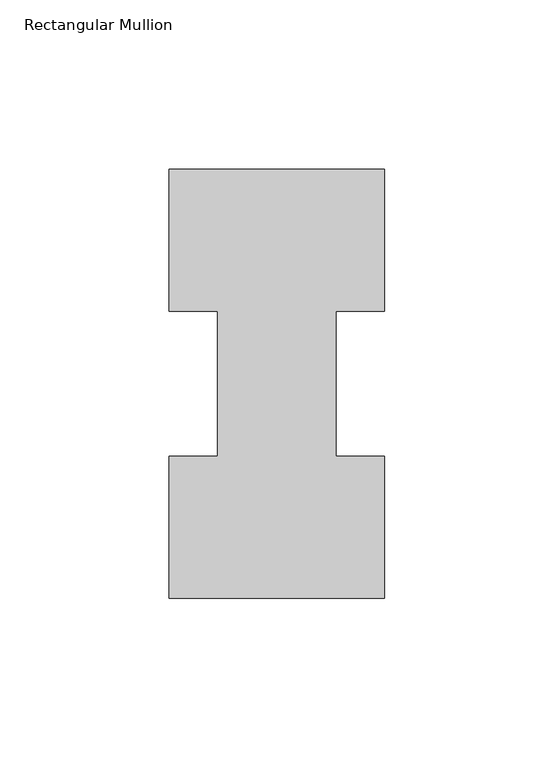
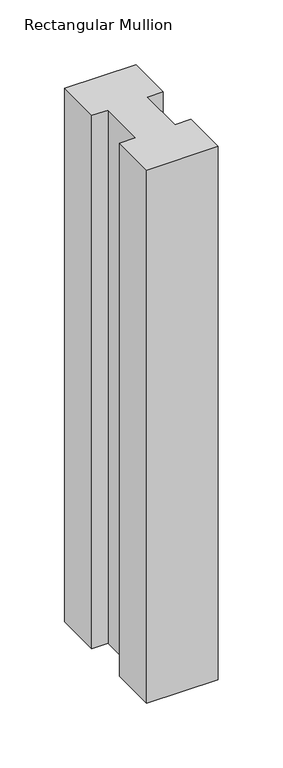
"""IFC4 building model written with IfcOpenShell, lengths in millimetres: member geometry, Rectangular Mullion."""

from ifc_helpers import new_model, si_unit, frame, origin, place, context, project, spatial, polyline, outline, extrude, source, transform, mapped, element, save


def rectangular_mullion_0152dd19(model_context):
    return source(origin(), model_context, "Body", "SweptSolid", [
        extrude(outline(polyline([(-63.5, 0.26035), (-63.5, 42.08145), (-49.2125, 42.08145), (-49.2125, 84.93125), (-63.5, 84.93125), (-63.5, 126.75235), (0.0, 126.75235), (0.0, 84.93125), (-14.2748, 84.93125), (-14.2748, 42.08145), (0.0, 42.08145), (0.0, 0.26035), (-63.5, 0.26035)])), frame((0.0, 0.0, -501.65), z_axis=(0.0, 0.0, 1.0), x_axis=(1.0, 0.0, 0.0)), (0.0, 0.0, 1.0), 501.65),
    ])


if __name__ == "__main__":
    model = new_model("IFC4")
    model_context = context("Model", 3, world=origin())
    ifc_project = project(units=[si_unit("LENGTHUNIT", "METRE", prefix="MILLI")], contexts=[model_context])
    site = spatial("IfcSite", under=ifc_project)
    building = spatial("IfcBuilding", under=site)
    placement = place(None, origin())
    rectangular_mullion_shape = rectangular_mullion_0152dd19(model_context)
    element("IfcMember", 1, ObjectType="Rectangular Mullion", at=placement, inside=building, context=model_context, shape_type="MappedRepresentation", body=[
        mapped(rectangular_mullion_shape, transform((0.0, 0.0, 0.0), x_axis=(1.0, 0.0, 0.0), y_axis=(0.0, 1.0, 0.0), z_axis=(0.0, 0.0, 1.0))),
    ])
    save(model, "model.ifc")
